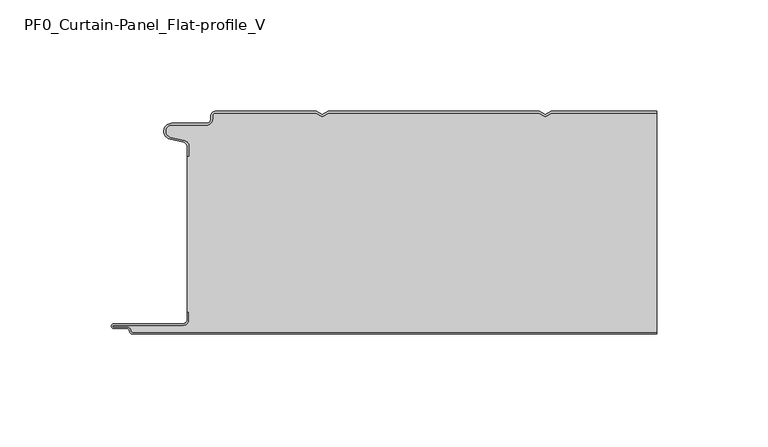
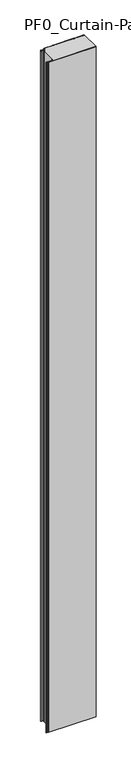
"""IFC4 building model written with IfcOpenShell, lengths in millimetres: plate geometry, PF0_Curtain-Panel_Flat-profile_V."""

from ifc_helpers import new_model, si_unit, point, frame_2d, origin, origin_with_axes, place, context, project, spatial, polyline, circle_curve, trimmed, segment, composite_curve, outline, extrude, source, transform, mapped, element, save


def pf0_curtain_panel_flat_profile_v_516f7fcf(model_context):
    return source(origin(), model_context, "Body", "SweptSolid", [
        extrude(outline(composite_curve([segment(trimmed(circle_curve(frame_2d((-102.0, -15.878557)), 2.0), [point((-100.0, -15.878557))], [point((-101.5500978, -13.9298169))], True, "CARTESIAN"), True, "CONTINUOUS"), segment(polyline([(-101.5500978, -13.9298169), (-107.7098239, -12.507732)]), True, "CONTINUOUS"), segment(trimmed(circle_curve(frame_2d((-106.9, -9.0)), 3.6), [point((-107.7098239, -12.507732))], [point((-106.9, -5.4))], False, "CARTESIAN"), True, "CONTINUOUS"), segment(polyline([(-106.9, -5.4), (-91.4, -5.4)]), True, "CONTINUOUS"), segment(trimmed(circle_curve(frame_2d((-91.4, -3.4)), 2.0), [point((-91.4, -5.4))], [point((-89.4, -3.4))], True, "CARTESIAN"), True, "CONTINUOUS"), segment(polyline([(-89.4, -3.4), (-89.4, -2.0)]), True, "CONTINUOUS"), segment(trimmed(circle_curve(frame_2d((-87.4, -2.0)), 2.0), [point((-89.4, -2.0))], [point((-87.4, 0.0))], False, "CARTESIAN"), True, "CONTINUOUS"), segment(polyline([(-87.4, 0.0), (-42.0999995, 0.0), (-39.4, -1.5588455), (-36.7000005, 0.0), (57.9000005, 0.0), (60.6, -1.5588455), (63.2999995, 0.0), (110.6, 0.0), (110.6, -0.8), (63.5143588, -0.8), (60.6, -2.482606), (57.6856412, -0.8), (-36.4856412, -0.8), (-39.4, -2.482606), (-42.3143588, -0.8), (-87.4, -0.8)]), True, "CONTINUOUS"), segment(trimmed(circle_curve(frame_2d((-87.4, -2.0)), 1.2), [point((-87.4, -0.8))], [point((-88.6, -2.0))], True, "CARTESIAN"), True, "CONTINUOUS"), segment(polyline([(-88.6, -2.0), (-88.6, -3.4)]), True, "CONTINUOUS"), segment(trimmed(circle_curve(frame_2d((-91.4, -3.4)), 2.8), [point((-88.6, -3.4))], [point((-91.4, -6.2))], False, "CARTESIAN"), True, "CONTINUOUS"), segment(polyline([(-91.4, -6.2), (-106.9, -6.2)]), True, "CONTINUOUS"), segment(trimmed(circle_curve(frame_2d((-106.9, -9.0)), 2.8), [point((-106.9, -6.2))], [point((-107.529863, -11.7282362))], True, "CARTESIAN"), True, "CONTINUOUS"), segment(polyline([(-107.529863, -11.7282362), (-101.370137, -13.150321)]), True, "CONTINUOUS"), segment(trimmed(circle_curve(frame_2d((-102.0, -15.878557)), 2.8), [point((-101.370137, -13.150321))], [point((-99.2, -15.878557))], False, "CARTESIAN"), True, "CONTINUOUS"), segment(polyline([(-99.2, -15.878557), (-99.2, -20.0), (-100.0, -20.0), (-100.0, -15.878557)]), True, "CONTINUOUS")], self_intersect=False)), origin_with_axes(), (0.0, 0.0, 1.0), 3500.0),
        extrude(outline(composite_curve([segment(polyline([(-99.2, -90.0), (-100.0, -90.0), (-100.0, -20.0), (-99.2, -20.0), (-99.2, -15.878557)]), True, "CONTINUOUS"), segment(trimmed(circle_curve(frame_2d((-102.0, -15.878557)), 2.8), [point((-99.2, -15.878557))], [point((-101.370137, -13.1503208))], True, "CARTESIAN"), True, "CONTINUOUS"), segment(polyline([(-101.370137, -13.1503208), (-107.529863, -11.7282362)]), True, "CONTINUOUS"), segment(trimmed(circle_curve(frame_2d((-106.9, -9.0)), 2.8), [point((-107.529863, -11.7282362))], [point((-106.9, -6.2))], False, "CARTESIAN"), True, "CONTINUOUS"), segment(polyline([(-106.9, -6.2), (-91.4, -6.2)]), True, "CONTINUOUS"), segment(trimmed(circle_curve(frame_2d((-91.4, -3.4)), 2.8), [point((-91.4, -6.2))], [point((-88.6, -3.4))], True, "CARTESIAN"), True, "CONTINUOUS"), segment(polyline([(-88.6, -3.4), (-88.6, -2.0)]), True, "CONTINUOUS"), segment(trimmed(circle_curve(frame_2d((-87.4, -2.0)), 1.2), [point((-88.6, -2.0))], [point((-87.4, -0.8))], False, "CARTESIAN"), True, "CONTINUOUS"), segment(polyline([(-87.4, -0.8), (-42.3143588, -0.8), (-39.4, -2.482606), (-36.4856412, -0.8), (57.6856412, -0.8), (60.6, -2.482606), (63.5143588, -0.8), (110.6, -0.8), (110.6, -99.2), (-124.4, -99.2)]), True, "CONTINUOUS"), segment(trimmed(circle_curve(frame_2d((-124.4, -98.4)), 0.8), [point((-124.4, -99.2))], [point((-125.2, -98.4))], False, "CARTESIAN"), True, "CONTINUOUS"), segment(trimmed(circle_curve(frame_2d((-126.9, -98.6133333)), 1.7133333), [point((-125.2, -98.4))], [point((-126.9, -96.9))], True, "CARTESIAN"), True, "CONTINUOUS"), segment(polyline([(-126.9, -96.9), (-132.8700312, -96.9)]), True, "CONTINUOUS"), segment(trimmed(circle_curve(frame_2d((-132.8700312, -96.6)), 0.3), [point((-132.8700312, -96.9))], [point((-132.8700312, -96.3))], False, "CARTESIAN"), True, "CONTINUOUS"), segment(polyline([(-132.8700312, -96.3), (-102.0, -96.3)]), True, "CONTINUOUS"), segment(trimmed(circle_curve(frame_2d((-102.0, -93.5)), 2.8), [point((-102.0, -96.3))], [point((-99.2, -93.5))], True, "CARTESIAN"), True, "CONTINUOUS"), segment(polyline([(-99.2, -93.5), (-99.2, -90.0)]), True, "CONTINUOUS")], self_intersect=False)), origin_with_axes(), (0.0, 0.0, 1.0), 3500.0),
        extrude(outline(composite_curve([segment(polyline([(-100.0, -90.0), (-99.2, -90.0), (-99.2, -93.5)]), True, "CONTINUOUS"), segment(trimmed(circle_curve(frame_2d((-102.0, -93.5)), 2.8), [point((-99.2, -93.5))], [point((-102.0, -96.3))], False, "CARTESIAN"), True, "CONTINUOUS"), segment(polyline([(-102.0, -96.3), (-132.8700312, -96.3)]), True, "CONTINUOUS"), segment(trimmed(circle_curve(frame_2d((-132.8700312, -96.6)), 0.3), [point((-132.8700312, -96.3))], [point((-132.8700312, -96.9))], True, "CARTESIAN"), True, "CONTINUOUS"), segment(polyline([(-132.8700312, -96.9), (-126.9, -96.9)]), True, "CONTINUOUS"), segment(trimmed(circle_curve(frame_2d((-126.9, -98.6133333)), 1.7133333), [point((-126.9, -96.9))], [point((-125.2, -98.4))], False, "CARTESIAN"), True, "CONTINUOUS"), segment(trimmed(circle_curve(frame_2d((-124.4, -98.4)), 0.8), [point((-125.2, -98.4))], [point((-124.4, -99.2))], True, "CARTESIAN"), True, "CONTINUOUS"), segment(polyline([(-124.4, -99.2), (110.6, -99.2), (110.6, -100.0), (-124.4, -100.0)]), True, "CONTINUOUS"), segment(trimmed(circle_curve(frame_2d((-124.4, -98.4)), 1.6), [point((-124.4, -100.0))], [point((-126.0, -98.4))], False, "CARTESIAN"), True, "CONTINUOUS"), segment(trimmed(circle_curve(frame_2d((-126.9, -98.4)), 0.9), [point((-126.0, -98.4))], [point((-126.9, -97.5))], True, "CARTESIAN"), True, "CONTINUOUS"), segment(polyline([(-126.9, -97.5), (-133.0, -97.5)]), True, "CONTINUOUS"), segment(trimmed(circle_curve(frame_2d((-133.0, -96.5)), 1.0), [point((-133.0, -97.5))], [point((-133.0, -95.5))], False, "CARTESIAN"), True, "CONTINUOUS"), segment(polyline([(-133.0, -95.5), (-102.0, -95.5)]), True, "CONTINUOUS"), segment(trimmed(circle_curve(frame_2d((-102.0, -93.5)), 2.0), [point((-102.0, -95.5))], [point((-100.0, -93.5))], True, "CARTESIAN"), True, "CONTINUOUS"), segment(polyline([(-100.0, -93.5), (-100.0, -90.0)]), True, "CONTINUOUS")], self_intersect=False)), origin_with_axes(), (0.0, 0.0, 1.0), 3500.0),
    ])


if __name__ == "__main__":
    model = new_model("IFC4")
    model_context = context("Model", 3, world=origin())
    ifc_project = project(units=[si_unit("LENGTHUNIT", "METRE", prefix="MILLI")], contexts=[model_context])
    site = spatial("IfcSite", under=ifc_project)
    building = spatial("IfcBuilding", under=site)
    placement = place(None, origin())
    pf0_curtain_panel_flat_profile_v_shape = pf0_curtain_panel_flat_profile_v_516f7fcf(model_context)
    element("IfcPlate", 1, ObjectType="PF0_Curtain-Panel_Flat-profile_V", at=placement, inside=building, context=model_context, shape_type="MappedRepresentation", body=[
        mapped(pf0_curtain_panel_flat_profile_v_shape, transform((0.0, 0.0, 0.0), x_axis=(1.0, 0.0, 0.0), y_axis=(0.0, 1.0, 0.0), z_axis=(0.0, 0.0, 1.0))),
    ])
    save(model, "model.ifc")
